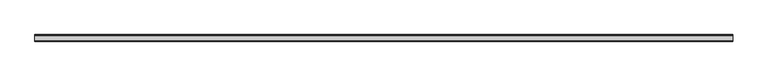
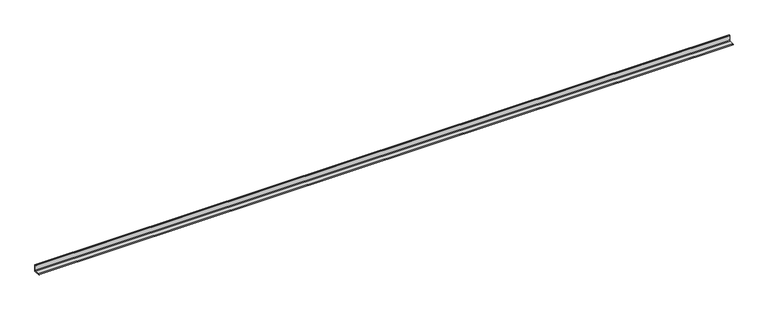
"""IFC4 building model written with IfcOpenShell, lengths in millimetres: beam geometry."""

from ifc_helpers import new_model, si_unit, point, frame, frame_2d, origin, place, context, project, spatial, polyline, circle_curve, trimmed, segment, composite_curve, outline, extrude, source, transform, mapped, element, save


def beam_9cc00210(model_context):
    return source(origin(), model_context, "Body", "SweptSolid", [
        extrude(outline(composite_curve([segment(polyline([(21.3, -21.3), (-53.7, -21.3), (-53.7, -18.3)]), True, "CONTINUOUS"), segment(trimmed(circle_curve(frame_2d((-48.7, -18.3)), 5.0), [point((-53.7, -18.3))], [point((-48.7, -13.3))], False, "CARTESIAN"), True, "CONTINUOUS"), segment(polyline([(-48.7, -13.3), (5.3, -13.3)]), True, "CONTINUOUS"), segment(trimmed(circle_curve(frame_2d((5.3, -5.3)), 8.0), [point((5.3, -13.3))], [point((13.3, -5.3))], True, "CARTESIAN"), True, "CONTINUOUS"), segment(polyline([(13.3, -5.3), (13.3, 48.7)]), True, "CONTINUOUS"), segment(trimmed(circle_curve(frame_2d((18.3, 48.7)), 5.0), [point((13.3, 48.7))], [point((18.3, 53.7))], False, "CARTESIAN"), True, "CONTINUOUS"), segment(polyline([(18.3, 53.7), (21.3, 53.7), (21.3, -21.3)]), True, "CONTINUOUS")], self_intersect=False)), frame((-3917.0, 0.0, 0.0), z_axis=(1.0, 0.0, 0.0), x_axis=(0.0, 1.0, 0.0)), (0.0, 0.0, 1.0), 7908.0),
    ])


if __name__ == "__main__":
    model = new_model("IFC4")
    model_context = context("Model", 3, world=origin())
    ifc_project = project(units=[si_unit("LENGTHUNIT", "METRE", prefix="MILLI")], contexts=[model_context])
    site = spatial("IfcSite", under=ifc_project)
    building = spatial("IfcBuilding", under=site)
    placement = place(None, origin())
    beam_shape = beam_9cc00210(model_context)
    element("IfcBeam", 1, at=placement, inside=building, context=model_context, shape_type="MappedRepresentation", body=[
        mapped(beam_shape, transform((0.0, 0.0, 0.0), x_axis=(1.0, 0.0, 0.0), y_axis=(0.0, 1.0, 0.0), z_axis=(0.0, 0.0, 1.0))),
    ])
    save(model, "model.ifc")
